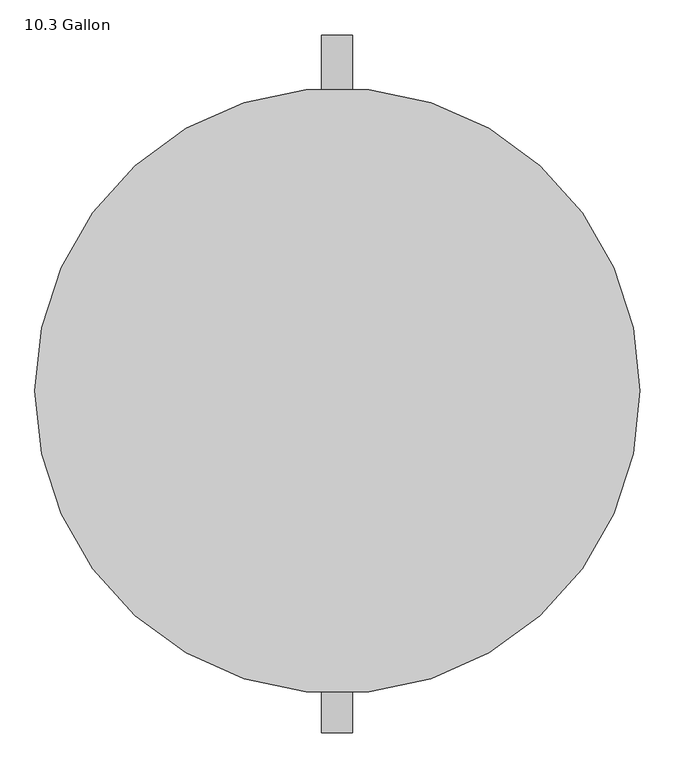
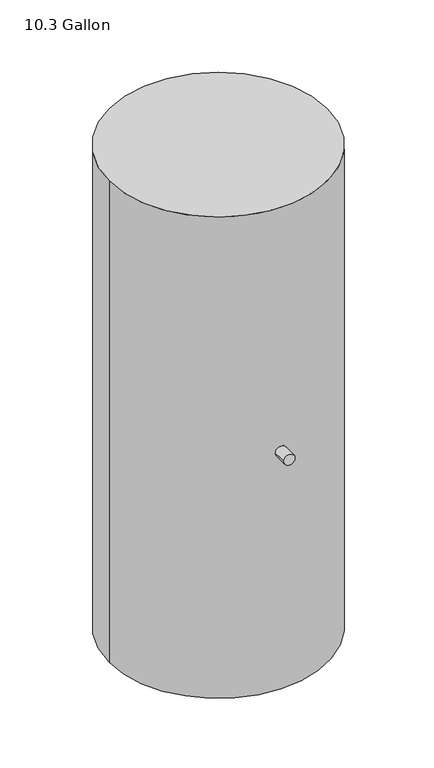
"""IFC4 building model written with IfcOpenShell, lengths in millimetres: proxy geometry, 10.3 Gallon."""

from ifc_helpers import new_model, si_unit, point, frame, frame_2d, origin, origin_2d, place, context, project, spatial, circle_curve, trimmed, segment, composite_curve, outline, extrude, source, transform, mapped, element, save


def proxy_10_3_gallon_4ca99c3d(model_context):
    return source(origin(), model_context, "Body", "SweptSolid", [
        extrude(outline(composite_curve([segment(trimmed(circle_curve(frame_2d((95.25, -0.3640552)), 25.4), [point((95.25, -25.7640552))], [point((95.25, 25.0359448))], False, "CARTESIAN"), True, "CONTINUOUS"), segment(trimmed(circle_curve(frame_2d((95.25, -0.3640552)), 25.4), [point((95.25, 25.0359448))], [point((95.25, -25.7640552))], False, "CARTESIAN"), True, "CONTINUOUS")], self_intersect=False)), frame((0.0, 474.2581291, 0.0), z_axis=(0.0, 1.0, 0.0), x_axis=(0.0, 0.0, 1.0)), (0.0, 0.0, 1.0), 107.7569976),
        extrude(outline(composite_curve([segment(trimmed(circle_curve(frame_2d((95.25, -0.3640552)), 25.4), [point((95.25, -25.7640552))], [point((95.25, 25.0359448))], False, "CARTESIAN"), True, "CONTINUOUS"), segment(trimmed(circle_curve(frame_2d((95.25, -0.3640552)), 25.4), [point((95.25, 25.0359448))], [point((95.25, -25.7640552))], False, "CARTESIAN"), True, "CONTINUOUS")], self_intersect=False)), frame((0.0, -559.750507, 0.0), z_axis=(0.0, 1.0, 0.0), x_axis=(0.0, 0.0, 1.0)), (0.0, 0.0, 1.0), 89.4153809),
        extrude(outline(composite_curve([segment(trimmed(circle_curve(origin_2d(), 495.3), [point((-495.3, 0.0))], [point((495.3, 0.0))], False, "CARTESIAN"), True, "CONTINUOUS"), segment(trimmed(circle_curve(origin_2d(), 495.3), [point((495.3, 0.0))], [point((-495.3, 0.0))], False, "CARTESIAN"), True, "CONTINUOUS")], self_intersect=False)), frame((0.0, 0.0, -1042.5066794), z_axis=(0.0, 0.0, 1.0), x_axis=(1.0, 0.0, 0.0)), (0.0, 0.0, 1.0), 2308.0426981),
    ])


if __name__ == "__main__":
    model = new_model("IFC4")
    model_context = context("Model", 3, world=origin())
    ifc_project = project(units=[si_unit("LENGTHUNIT", "METRE", prefix="MILLI")], contexts=[model_context])
    site = spatial("IfcSite", under=ifc_project)
    building = spatial("IfcBuilding", under=site)
    placement = place(None, origin())
    proxy_10_3_gallon_shape = proxy_10_3_gallon_4ca99c3d(model_context)
    element("IfcBuildingElementProxy", 1, Name="10.3 Gallon", ObjectType="10.3 Gallon", at=placement, inside=building, context=model_context, shape_type="MappedRepresentation", body=[
        mapped(proxy_10_3_gallon_shape, transform((0.0, 0.0, 0.0), x_axis=(1.0, 0.0, 0.0), y_axis=(0.0, 1.0, 0.0), z_axis=(0.0, 0.0, 1.0))),
    ])
    save(model, "model.ifc")
